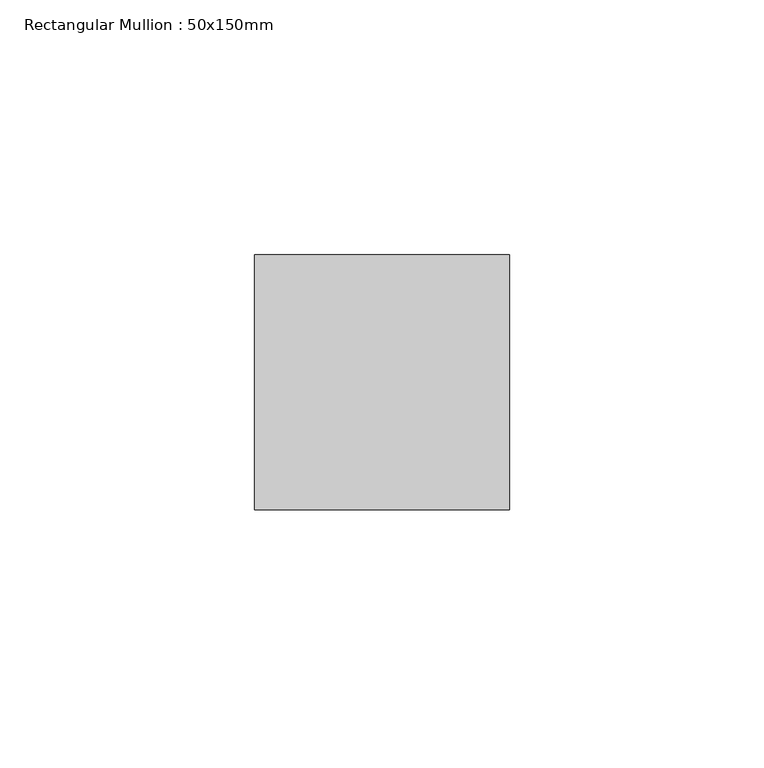
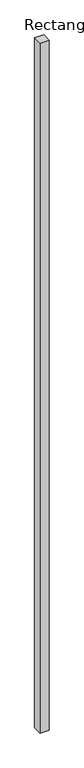
"""IFC4 building model written with IfcOpenShell, lengths in millimetres: member geometry, Rectangular Mullion : 50x150mm."""

from ifc_helpers import new_model, si_unit, frame, origin, place, context, project, spatial, polyline, outline, extrude, source, transform, mapped, element, save


def rectangular_mullion_50x150mm_8fef21d8(model_context):
    return source(origin(), model_context, "Body", "SweptSolid", [
        extrude(outline(polyline([(0.0, 25.0), (0.0, -25.0), (-50.0, -25.0), (-50.0, 25.0), (0.0, 25.0)])), frame((0.0, 0.0, -3985.0), z_axis=(0.0, 0.0, 1.0), x_axis=(1.0, 0.0, 0.0)), (0.0, 0.0, 1.0), 3985.0),
    ])


if __name__ == "__main__":
    model = new_model("IFC4")
    model_context = context("Model", 3, world=origin())
    ifc_project = project(units=[si_unit("LENGTHUNIT", "METRE", prefix="MILLI")], contexts=[model_context])
    site = spatial("IfcSite", under=ifc_project)
    building = spatial("IfcBuilding", under=site)
    placement = place(None, origin())
    rectangular_mullion_50x150mm_shape = rectangular_mullion_50x150mm_8fef21d8(model_context)
    element("IfcMember", 1, ObjectType="Rectangular Mullion : 50x150mm", at=placement, inside=building, context=model_context, shape_type="MappedRepresentation", body=[
        mapped(rectangular_mullion_50x150mm_shape, transform((0.0, 0.0, 0.0), x_axis=(1.0, 0.0, 0.0), y_axis=(0.0, 1.0, 0.0), z_axis=(0.0, 0.0, 1.0))),
    ])
    save(model, "model.ifc")
